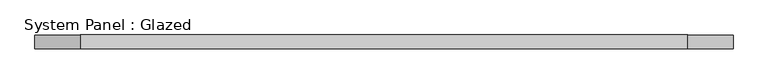
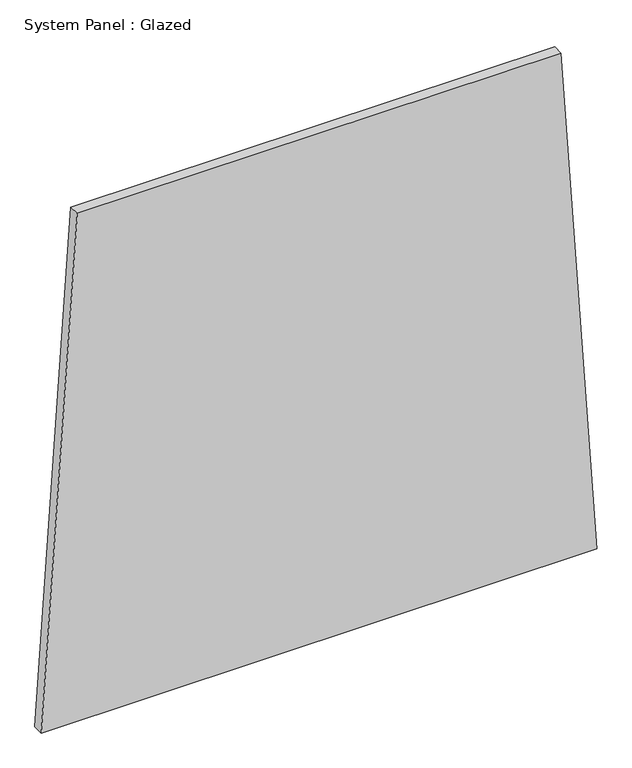
"""IFC4 building model written with IfcOpenShell, lengths in millimetres: plate geometry, System Panel : Glazed."""

from ifc_helpers import new_model, si_unit, frame, origin, place, context, project, spatial, polyline, outline, extrude, source, transform, mapped, element, save


def system_panel_glazed_2fdc2cf9(model_context):
    return source(origin(), model_context, "Body", "SweptSolid", [
        extrude(outline(polyline([(0.0, -772.4182695), (0.0, 772.4182695), (1491.0078949, 672.3148296), (1491.0078949, -672.3148296), (0.0, -772.4182695)])), frame((0.0, -36.8101563, 0.0), z_axis=(0.0, 1.0, 0.0), x_axis=(0.0, 0.0, 1.0)), (0.0, 0.0, 1.0), 30.1625),
    ])


if __name__ == "__main__":
    model = new_model("IFC4")
    model_context = context("Model", 3, world=origin())
    ifc_project = project(units=[si_unit("LENGTHUNIT", "METRE", prefix="MILLI")], contexts=[model_context])
    site = spatial("IfcSite", under=ifc_project)
    building = spatial("IfcBuilding", under=site)
    placement = place(None, origin())
    system_panel_glazed_shape = system_panel_glazed_2fdc2cf9(model_context)
    element("IfcPlate", 1, ObjectType="System Panel : Glazed", at=placement, inside=building, context=model_context, shape_type="MappedRepresentation", body=[
        mapped(system_panel_glazed_shape, transform((0.0, 0.0, 0.0), x_axis=(1.0, 0.0, 0.0), y_axis=(0.0, 1.0, 0.0), z_axis=(0.0, 0.0, 1.0))),
    ])
    save(model, "model.ifc")
